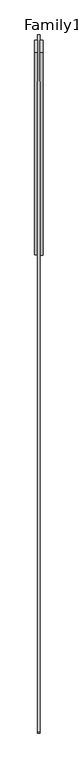
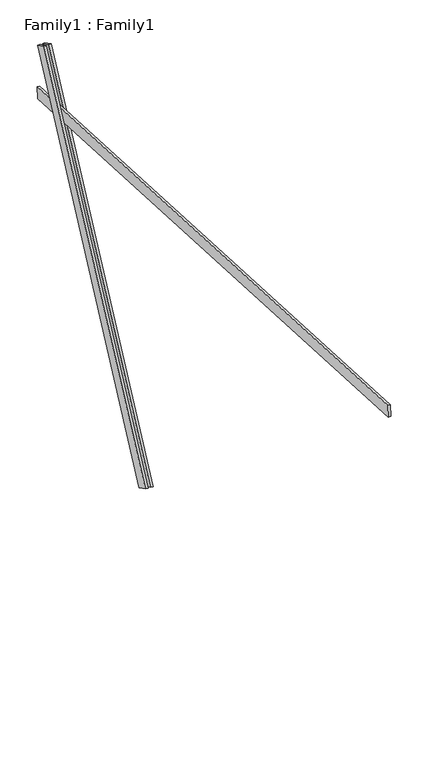
"""IFC4 building model written with IfcOpenShell, lengths in millimetres: proxy geometry, Family1 : Family1."""

from ifc_helpers import new_model, si_unit, frame, origin, place, context, project, spatial, polyline, outline, extrude, source, transform, mapped, element, save


def family1_family1_585d833a(model_context):
    return source(origin(), model_context, "Body", "SweptSolid", [
        extrude(outline(polyline([(0.0, 0.0), (0.0, -20.0), (-100.0000001, -20.0), (-100.0000001, 0.0), (0.0, 0.0)])), frame((-30.0, 46.3241747, -22.5938096), z_axis=(0.0, 0.4383711467890692, 0.8987940462991711), x_axis=(0.0, 0.8987940462991711, -0.4383711467890692)), (0.0, 0.0, 1.0), 3300.0),
        extrude(outline(polyline([(0.0, 0.0), (0.0, -20.0), (-99.9999999, -20.0), (-99.9999999, 0.0), (0.0, 0.0)])), frame((10.0, 45.270232, -22.0797674), z_axis=(0.0, 0.4383711467890692, 0.8987940462991711), x_axis=(0.0, 0.8987940462991711, -0.4383711467890692)), (0.0, 0.0, 1.0), 3300.0),
        extrude(outline(polyline([(0.0, -20.0), (0.0, 0.0), (5000.0, 0.0), (5000.0, -20.0), (0.0, -20.0)])), frame((-10.0, -3467.0012357, 2712.5799111), z_axis=(0.0, 0.052335956242946347, 0.9986295347545738), x_axis=(0.0, 0.9986295347545738, -0.052335956242946347)), (0.0, 0.0, 1.0), 100.0),
    ])


if __name__ == "__main__":
    model = new_model("IFC4")
    model_context = context("Model", 3, world=origin())
    ifc_project = project(units=[si_unit("LENGTHUNIT", "METRE", prefix="MILLI")], contexts=[model_context])
    site = spatial("IfcSite", under=ifc_project)
    building = spatial("IfcBuilding", under=site)
    placement = place(None, origin())
    family1_family1_shape = family1_family1_585d833a(model_context)
    element("IfcBuildingElementProxy", 1, Name="Family1 : Family1", ObjectType="Family1 : Family1", at=placement, inside=building, context=model_context, shape_type="MappedRepresentation", body=[
        mapped(family1_family1_shape, transform((0.0, 0.0, 0.0), x_axis=(1.0, 0.0, 0.0), y_axis=(0.0, 1.0, 0.0), z_axis=(0.0, 0.0, 1.0))),
    ])
    save(model, "model.ifc")
